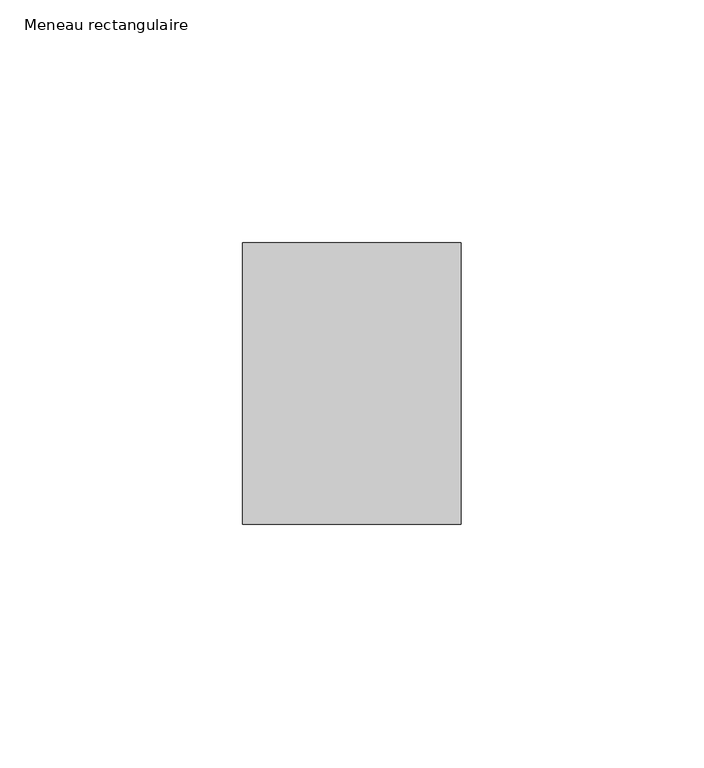
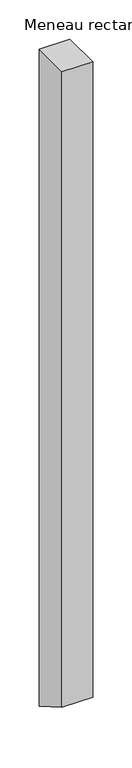
"""IFC4 building model written with IfcOpenShell, lengths in millimetres: member geometry, Meneau rectangulaire."""

from ifc_helpers import new_model, si_unit, frame, origin, place, context, project, spatial, polyline, outline, extrude, source, transform, mapped, element, save


def meneau_rectangulaire_edd0f541(model_context):
    return source(origin(), model_context, "Body", "SweptSolid", [
        extrude(outline(polyline([(-29.0, 0.0), (29.0, 0.0), (29.0, -1022.2472072), (-29.0, -988.7608916), (-29.0, 0.0)])), frame((-45.0, 0.0, 0.0), z_axis=(1.0, 0.0, 0.0), x_axis=(0.0, 1.0, 0.0)), (0.0, 0.0, 1.0), 45.0),
    ])


if __name__ == "__main__":
    model = new_model("IFC4")
    model_context = context("Model", 3, world=origin())
    ifc_project = project(units=[si_unit("LENGTHUNIT", "METRE", prefix="MILLI")], contexts=[model_context])
    site = spatial("IfcSite", under=ifc_project)
    building = spatial("IfcBuilding", under=site)
    placement = place(None, origin())
    meneau_rectangulaire_shape = meneau_rectangulaire_edd0f541(model_context)
    element("IfcMember", 1, ObjectType="Meneau rectangulaire", at=placement, inside=building, context=model_context, shape_type="MappedRepresentation", body=[
        mapped(meneau_rectangulaire_shape, transform((0.0, 0.0, 0.0), x_axis=(1.0, 0.0, 0.0), y_axis=(0.0, 1.0, 0.0), z_axis=(0.0, 0.0, 1.0))),
    ])
    save(model, "model.ifc")
